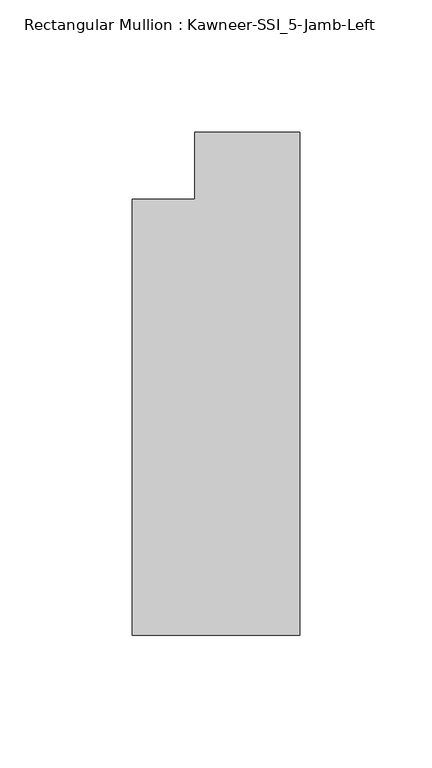
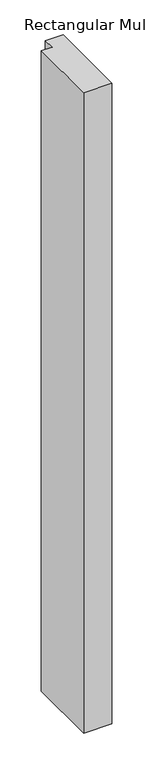
"""IFC4 building model written with IfcOpenShell, lengths in millimetres: member geometry, Rectangular Mullion : Kawneer-SSI_5-Jamb-Left."""

from ifc_helpers import new_model, si_unit, frame, origin, place, context, project, spatial, polyline, outline, extrude, source, transform, mapped, element, save


def rectangular_mullion_kawneer_ssi_5_jamb_left_60fe9301(model_context):
    return source(origin(), model_context, "Body", "SweptSolid", [
        extrude(outline(polyline([(0.0, -177.8), (-63.5, -177.8), (-63.5, -12.7), (-39.6875, -12.7), (-39.6875, 12.7), (0.0, 12.7), (0.0, -177.8)])), frame((0.0, 0.0, -1524.0), z_axis=(0.0, 0.0, 1.0), x_axis=(1.0, 0.0, 0.0)), (0.0, 0.0, 1.0), 1524.0),
    ])


if __name__ == "__main__":
    model = new_model("IFC4")
    model_context = context("Model", 3, world=origin())
    ifc_project = project(units=[si_unit("LENGTHUNIT", "METRE", prefix="MILLI")], contexts=[model_context])
    site = spatial("IfcSite", under=ifc_project)
    building = spatial("IfcBuilding", under=site)
    placement = place(None, origin())
    rectangular_mullion_kawneer_ssi_5_jamb_left_shape = rectangular_mullion_kawneer_ssi_5_jamb_left_60fe9301(model_context)
    element("IfcMember", 1, ObjectType="Rectangular Mullion : Kawneer-SSI_5-Jamb-Left", at=placement, inside=building, context=model_context, shape_type="MappedRepresentation", body=[
        mapped(rectangular_mullion_kawneer_ssi_5_jamb_left_shape, transform((0.0, 0.0, 0.0), x_axis=(1.0, 0.0, 0.0), y_axis=(0.0, 1.0, 0.0), z_axis=(0.0, 0.0, 1.0))),
    ])
    save(model, "model.ifc")
